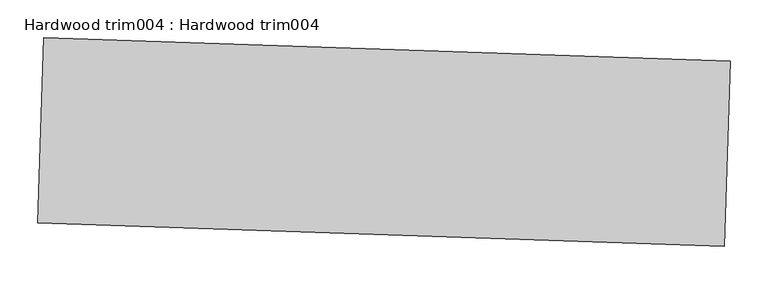
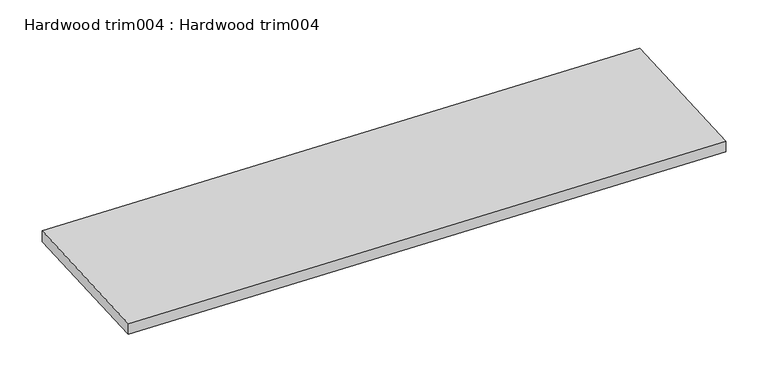
"""IFC4 building model written with IfcOpenShell, lengths in millimetres: proxy geometry, Hardwood trim004 : Hardwood trim004."""

from ifc_helpers import new_model, si_unit, frame, origin, place, context, project, spatial, polyline, outline, extrude, source, transform, mapped, element, save


def hardwood_trim004_hardwood_trim004_fac323e9(model_context):
    return source(origin(), model_context, "Body", "SweptSolid", [
        extrude(outline(polyline([(34351.3601339, -15564.4285435), (34342.9075718, -15811.4220112), (33429.0425435, -15780.1479013), (33437.4951055, -15533.1544336), (34351.3601339, -15564.4285435)])), frame((0.0, 0.0, 1069.1264857), z_axis=(0.0, 0.0, 1.0), x_axis=(1.0, 0.0, 0.0)), (0.0, 0.0, 1.0), 17.6185544),
    ])


if __name__ == "__main__":
    model = new_model("IFC4")
    model_context = context("Model", 3, world=origin())
    ifc_project = project(units=[si_unit("LENGTHUNIT", "METRE", prefix="MILLI")], contexts=[model_context])
    site = spatial("IfcSite", under=ifc_project)
    building = spatial("IfcBuilding", under=site)
    placement = place(None, origin())
    hardwood_trim004_hardwood_trim004_shape = hardwood_trim004_hardwood_trim004_fac323e9(model_context)
    element("IfcBuildingElementProxy", 1, Name="Hardwood trim004 : Hardwood trim004", ObjectType="Hardwood trim004 : Hardwood trim004", at=placement, inside=building, context=model_context, shape_type="MappedRepresentation", body=[
        mapped(hardwood_trim004_hardwood_trim004_shape, transform((0.0, 0.0, 0.0), x_axis=(1.0, 0.0, 0.0), y_axis=(0.0, 1.0, 0.0), z_axis=(0.0, 0.0, 1.0))),
    ])
    save(model, "model.ifc")
